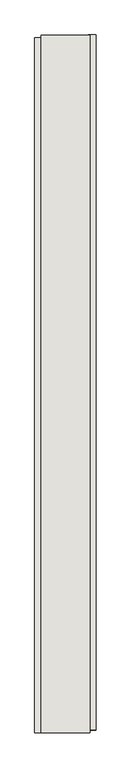
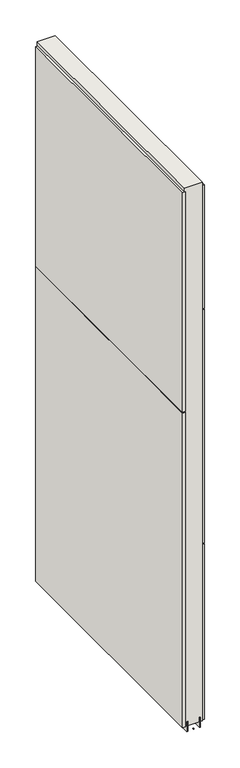
"""IFC4 building model written with IfcOpenShell, lengths in millimetres: wall geometry."""

from ifc_helpers import new_model, si_unit, frame, origin, place, context, project, spatial, polyline, outline, extrude, source, transform, mapped, element, save


def wall_17d6784d(model_context):
    return source(origin(), model_context, "Body", "SweptSolid", [
        extrude(outline(polyline([(48696.282211, -56933.6671586), (48696.282211, -56936.2071586), (48693.742211, -56936.2071586), (48693.742211, -56933.6671586), (48696.282211, -56933.6671586)])), frame((0.0, 0.0, 4419.6), z_axis=(0.0, 0.0, 1.0), x_axis=(1.0, 0.0, 0.0)), (0.0, 0.0, 1.0), 2.54),
        extrude(outline(polyline([(48644.212211, -56936.6739852), (48644.212211, -55788.7740712), (48656.912211, -55788.7740712), (48656.912211, -56936.6739852), (48644.212211, -56936.6739852)])), frame((0.0, 0.0, 5945.6000722), z_axis=(0.0, 0.0, 1.0), x_axis=(1.0, 0.0, 0.0)), (0.0, 0.0, 1.0), 1044.449905),
        extrude(outline(polyline([(48644.212211, -56936.6739852), (48644.212211, -55788.7740712), (48656.912211, -55788.7740712), (48656.912211, -56936.6739852), (48644.212211, -56936.6739852)])), frame((0.0, 0.0, 4445.0), z_axis=(0.0, 0.0, 1.0), x_axis=(1.0, 0.0, 0.0)), (0.0, 0.0, 1.0), 1496.600004),
        extrude(outline(polyline([(48745.812211, -55783.8441344), (48745.812211, -56931.7440484), (48733.112211, -56931.7440484), (48733.112211, -55783.8441344), (48745.812211, -55783.8441344)])), frame((0.0, 0.0, 6402.8000722), z_axis=(0.0, 0.0, 1.0), x_axis=(1.0, 0.0, 0.0)), (0.0, 0.0, 1.0), 587.2498034),
        extrude(outline(polyline([(48745.812211, -55783.8441344), (48745.812211, -56931.7440484), (48733.112211, -56931.7440484), (48733.112211, -55783.8441344), (48745.812211, -55783.8441344)])), frame((0.0, 0.0, 5285.2000722), z_axis=(0.0, 0.0, 1.0), x_axis=(1.0, 0.0, 0.0)), (0.0, 0.0, 1.0), 1113.5999572),
        extrude(outline(polyline([(48745.812211, -55783.8441344), (48745.812211, -56931.7440484), (48733.112211, -56931.7440484), (48733.112211, -55783.8441344), (48745.812211, -55783.8441344)])), frame((0.0, 0.0, 4445.0), z_axis=(0.0, 0.0, 1.0), x_axis=(1.0, 0.0, 0.0)), (0.0, 0.0, 1.0), 836.200004),
        extrude(outline(polyline([(48669.9315652, -55784.315914), (48669.9315652, -56936.2084032), (48664.849711, -56936.2084032), (48664.849711, -55784.315914), (48669.9315652, -55784.315914)])), frame((0.0, 0.0, 4418.6602), z_axis=(0.0, 0.0, 1.0), x_axis=(1.0, 0.0, 0.0)), (0.0, 0.0, 1.0), 47.625),
        extrude(outline(polyline([(48669.9315652, -55784.315914), (48669.9315652, -56936.2084032), (48664.849711, -56936.2084032), (48664.849711, -55784.315914), (48669.9315652, -55784.315914)])), frame((0.0, 0.0, 4418.6602), z_axis=(0.0, 0.0, 1.0), x_axis=(1.0, 0.0, 0.0)), (0.0, 0.0, 1.0), 47.625),
        extrude(outline(polyline([(48720.0959556, -56936.2084032), (48720.0959556, -55784.315914), (48725.174711, -55784.315914), (48725.174711, -56936.2084032), (48720.0959556, -56936.2084032)])), frame((0.0, 0.0, 4418.6602), z_axis=(0.0, 0.0, 1.0), x_axis=(1.0, 0.0, 0.0)), (0.0, 0.0, 1.0), 47.625),
        extrude(outline(polyline([(48720.0959556, -56936.2084032), (48720.0959556, -55784.315914), (48725.174711, -55784.315914), (48725.174711, -56936.2084032), (48720.0959556, -56936.2084032)])), frame((0.0, 0.0, 4418.6602), z_axis=(0.0, 0.0, 1.0), x_axis=(1.0, 0.0, 0.0)), (0.0, 0.0, 1.0), 47.625),
        extrude(outline(polyline([(48654.3604254, -55784.2911236), (48735.6391808, -55784.2911236), (48735.6391808, -56936.2084032), (48654.3604254, -56936.2084032), (48654.3604254, -55784.2911236)])), frame((0.0, 0.0, 4445.0), z_axis=(0.0, 0.0, 1.0), x_axis=(1.0, 0.0, 0.0)), (0.0, 0.0, 1.0), 2562.4536762),
    ])


if __name__ == "__main__":
    model = new_model("IFC4")
    model_context = context("Model", 3, world=origin())
    ifc_project = project(units=[si_unit("LENGTHUNIT", "METRE", prefix="MILLI")], contexts=[model_context])
    site = spatial("IfcSite", under=ifc_project)
    building = spatial("IfcBuilding", under=site)
    placement = place(None, origin())
    wall_shape = wall_17d6784d(model_context)
    element("IfcWall", 1, at=placement, inside=building, context=model_context, shape_type="MappedRepresentation", body=[
        mapped(wall_shape, transform((0.0, 0.0, 0.0), x_axis=(1.0, 0.0, 0.0), y_axis=(0.0, 1.0, 0.0), z_axis=(0.0, 0.0, 1.0))),
    ])
    save(model, "model.ifc")
